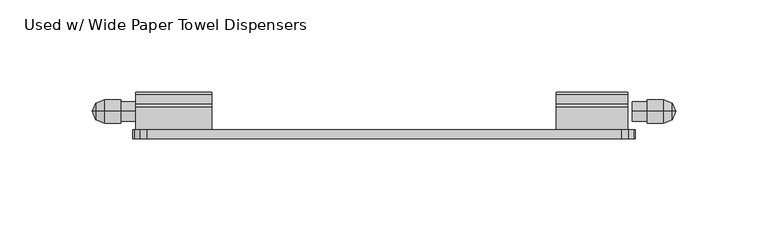
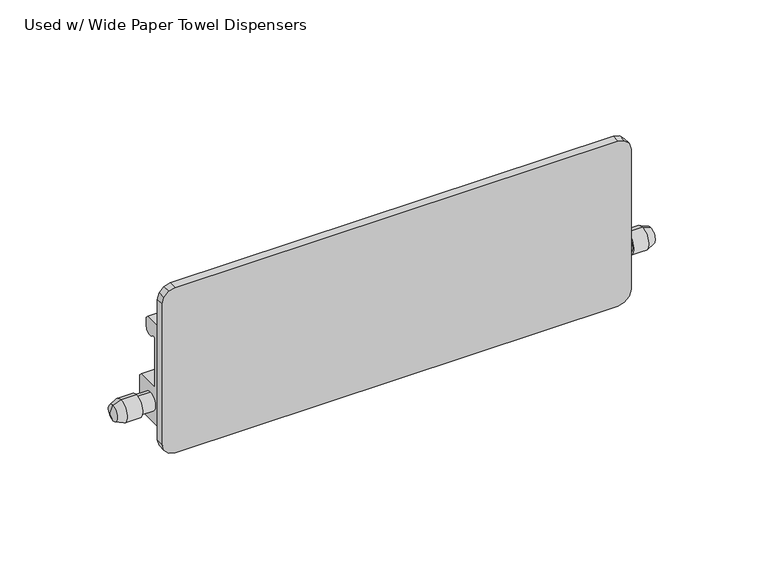
"""IFC4 building model written with IfcOpenShell, lengths in millimetres: furniture geometry, Used w/ Wide Paper Towel Dispensers."""

from ifc_helpers import new_model, si_unit, frame, origin, place, context, project, spatial, polyline, circle_curve, outline, extrude, source, transform, mapped, element, save
from ifc_brep_helpers import plane_surface, cylinder_surface, revolved_surface, advanced_brep


def used_w_wide_paper_towel_dispensers_e6a30bfb(model_context):
    return source(origin(), model_context, "Body", "SolidModel", [
        advanced_brep(
        [(413.0600084, -1179.0028827, 1163.4364176), (413.0600084, -1179.0028827, 1172.5903692), (411.0665981, -1179.0028827, 1168.0133934), (434.6852691, -1179.0028827, 1168.0133934), (434.6852691, -1179.0028827, 1173.3762088), (434.6852691, -1179.0028827, 1162.650578), (426.6230069, -1179.0028827, 1173.3762088), (426.6230069, -1179.0028827, 1162.650578), (426.6230069, -1179.0028827, 1174.4862155), (426.6230069, -1179.0028827, 1161.5405713), (417.8725235, -1179.0028827, 1174.4862155), (417.8725235, -1179.0028827, 1161.5405713)],
        [
            (0, 1, circle_curve(frame((413.0600084, -1179.0028827, 1168.0133934), z_axis=(-1.0, 0.0, 0.0), x_axis=(0.0, 0.0, 1.0)), 4.5769758)),
            (1, 2),
            (2, 0),
            (1, 0, circle_curve(frame((413.0600084, -1179.0028827, 1168.0133934), z_axis=(-1.0, 0.0, 0.0), x_axis=(0.0, 0.0, 1.0)), 4.5769758)),
            (3, 4),
            (4, 5, circle_curve(frame((434.6852691, -1179.0028827, 1168.0133934), z_axis=(1.0, 0.0, 0.0), x_axis=(0.0, 0.0, 1.0)), 5.3628154)),
            (5, 3),
            (5, 4, circle_curve(frame((434.6852691, -1179.0028827, 1168.0133934), z_axis=(1.0, 0.0, 0.0), x_axis=(0.0, 0.0, 1.0)), 5.3628154)),
            (4, 6),
            (6, 7, circle_curve(frame((426.6230069, -1179.0028827, 1168.0133934), z_axis=(1.0, 0.0, 0.0), x_axis=(0.0, 0.0, 1.0)), 5.3628154)),
            (7, 5),
            (7, 6, circle_curve(frame((426.6230069, -1179.0028827, 1168.0133934), z_axis=(1.0, 0.0, 0.0), x_axis=(0.0, 0.0, 1.0)), 5.3628154)),
            (6, 8),
            (8, 9, circle_curve(frame((426.6230069, -1179.0028827, 1168.0133934), z_axis=(1.0, 0.0, 0.0), x_axis=(0.0, 0.0, 1.0)), 6.4728221)),
            (9, 7),
            (9, 8, circle_curve(frame((426.6230069, -1179.0028827, 1168.0133934), z_axis=(1.0, 0.0, 0.0), x_axis=(0.0, 0.0, 1.0)), 6.4728221)),
            (8, 10),
            (10, 11, circle_curve(frame((417.8725235, -1179.0028827, 1168.0133934), z_axis=(1.0, 0.0, 0.0), x_axis=(0.0, 0.0, 1.0)), 6.4728221)),
            (11, 9),
            (11, 10, circle_curve(frame((417.8725235, -1179.0028827, 1168.0133934), z_axis=(1.0, 0.0, 0.0), x_axis=(0.0, 0.0, 1.0)), 6.4728221)),
            (10, 1),
            (0, 11),
        ],
        [
            revolved_surface(polyline([(411.0665981, -1179.0028827, 1168.0133934), (413.0600084, -1179.0028827, 1172.5903692)]), (434.6852691, -1179.0028827, 1168.0133934), (1.0, 0.0, 0.0)),
            plane_surface(frame((434.6852691, -1179.0028827, 1168.0133934), z_axis=(1.0, 0.0, 0.0), x_axis=(0.0, 0.0, 1.0))),
            cylinder_surface(frame((434.6852691, -1179.0028827, 1168.0133934), z_axis=(1.0, 0.0, 0.0), x_axis=(0.0, 0.0, 1.0)), 5.3628154),
            plane_surface(frame((426.6230069, -1179.0028827, 1168.0133934), z_axis=(1.0, 0.0, 0.0), x_axis=(0.0, 0.0, 1.0))),
            cylinder_surface(frame((434.6852691, -1179.0028827, 1168.0133934), z_axis=(1.0, 0.0, 0.0), x_axis=(0.0, 0.0, 1.0)), 6.4728221),
            revolved_surface(polyline([(413.0600084, -1179.0028827, 1172.5903692), (417.8725235, -1179.0028827, 1174.4862155)]), (434.6852691, -1179.0028827, 1168.0133934), (1.0, 0.0, 0.0)),
        ],
        [
            (0, [[1, 2, 3]]),
            (0, [[4, -3, -2]]),
            (1, [[5, 6, 7]]),
            (1, [[-7, 8, -5]]),
            (2, [[-6, 9, 10, 11]]),
            (2, [[-8, -11, 12, -9]]),
            (3, [[-10, 13, 14, 15]]),
            (3, [[-12, -15, 16, -13]]),
            (4, [[-14, 17, 18, 19]]),
            (4, [[-16, -19, 20, -17]]),
            (5, [[-18, 21, -1, 22]]),
            (5, [[-20, -22, -4, -21]]),
        ],
    ),
        advanced_brep(
        [(728.1519667, -1179.0028827, 1168.0133934), (726.1585564, -1179.0028827, 1172.5903692), (726.1585564, -1179.0028827, 1163.4364176), (704.5332957, -1179.0028827, 1162.650578), (704.5332957, -1179.0028827, 1173.3762088), (704.5332957, -1179.0028827, 1168.0133934), (712.5955579, -1179.0028827, 1162.650578), (712.5955579, -1179.0028827, 1173.3762088), (712.5955579, -1179.0028827, 1161.5405713), (712.5955579, -1179.0028827, 1174.4862155), (721.3460413, -1179.0028827, 1161.5405713), (721.3460413, -1179.0028827, 1174.4862155)],
        [
            (0, 1),
            (1, 2, circle_curve(frame((726.1585564, -1179.0028827, 1168.0133934), z_axis=(1.0, 0.0, 0.0), x_axis=(0.0, 0.0, 1.0)), 4.5769758)),
            (2, 0),
            (2, 1, circle_curve(frame((726.1585564, -1179.0028827, 1168.0133934), z_axis=(1.0, 0.0, 0.0), x_axis=(0.0, 0.0, 1.0)), 4.5769758)),
            (3, 4, circle_curve(frame((704.5332957, -1179.0028827, 1168.0133934), z_axis=(-1.0, 0.0, 0.0), x_axis=(0.0, 0.0, 1.0)), 5.3628154)),
            (4, 5),
            (5, 3),
            (4, 3, circle_curve(frame((704.5332957, -1179.0028827, 1168.0133934), z_axis=(-1.0, 0.0, 0.0), x_axis=(0.0, 0.0, 1.0)), 5.3628154)),
            (6, 7, circle_curve(frame((712.5955579, -1179.0028827, 1168.0133934), z_axis=(-1.0, 0.0, 0.0), x_axis=(0.0, 0.0, 1.0)), 5.3628154)),
            (7, 4),
            (3, 6),
            (7, 6, circle_curve(frame((712.5955579, -1179.0028827, 1168.0133934), z_axis=(-1.0, 0.0, 0.0), x_axis=(0.0, 0.0, 1.0)), 5.3628154)),
            (8, 9, circle_curve(frame((712.5955579, -1179.0028827, 1168.0133934), z_axis=(-1.0, 0.0, 0.0), x_axis=(0.0, 0.0, 1.0)), 6.4728221)),
            (9, 7),
            (6, 8),
            (9, 8, circle_curve(frame((712.5955579, -1179.0028827, 1168.0133934), z_axis=(-1.0, 0.0, 0.0), x_axis=(0.0, 0.0, 1.0)), 6.4728221)),
            (10, 11, circle_curve(frame((721.3460413, -1179.0028827, 1168.0133934), z_axis=(-1.0, 0.0, 0.0), x_axis=(0.0, 0.0, 1.0)), 6.4728221)),
            (11, 9),
            (8, 10),
            (11, 10, circle_curve(frame((721.3460413, -1179.0028827, 1168.0133934), z_axis=(-1.0, 0.0, 0.0), x_axis=(0.0, 0.0, 1.0)), 6.4728221)),
            (1, 11),
            (10, 2),
        ],
        [
            revolved_surface(polyline([(726.1585564, -1179.0028827, 1172.5903692), (728.1519667, -1179.0028827, 1168.0133934)]), (704.5332957, -1179.0028827, 1168.0133934), (1.0, 0.0, 0.0)),
            plane_surface(frame((704.5332957, -1179.0028827, 1168.0133934), z_axis=(-1.0, 0.0, 0.0), x_axis=(0.0, 0.0, 1.0))),
            cylinder_surface(frame((704.5332957, -1179.0028827, 1168.0133934), z_axis=(1.0, 0.0, 0.0), x_axis=(0.0, 0.0, 1.0)), 5.3628154),
            plane_surface(frame((712.5955579, -1179.0028827, 1168.0133934), z_axis=(-1.0, 0.0, 0.0), x_axis=(0.0, 0.0, 1.0))),
            cylinder_surface(frame((704.5332957, -1179.0028827, 1168.0133934), z_axis=(1.0, 0.0, 0.0), x_axis=(0.0, 0.0, 1.0)), 6.4728221),
            revolved_surface(polyline([(721.3460413, -1179.0028827, 1174.4862155), (726.1585564, -1179.0028827, 1172.5903692)]), (704.5332957, -1179.0028827, 1168.0133934), (1.0, 0.0, 0.0)),
        ],
        [
            (0, [[1, 2, 3]]),
            (0, [[-3, 4, -1]]),
            (1, [[5, 6, 7]]),
            (1, [[8, -7, -6]]),
            (2, [[9, 10, -5, 11]]),
            (2, [[12, -11, -8, -10]]),
            (3, [[13, 14, -9, 15]]),
            (3, [[16, -15, -12, -14]]),
            (4, [[17, 18, -13, 19]]),
            (4, [[20, -19, -16, -18]]),
            (5, [[-2, 21, -17, 22]]),
            (5, [[-4, -22, -20, -21]]),
        ],
    ),
        extrude(outline(polyline([(-1189.0551179, 1218.5898717), (-1176.6152827, 1218.5898717), (-1175.0404828, 1217.0150717), (-1175.0404828, 1212.265272), (-1175.8231929, 1209.9009144), (-1177.8620988, 1208.4706406), (-1180.3516929, 1208.5395068), (-1182.3084145, 1210.0803062), (-1183.7526827, 1209.6461143), (-1183.7526827, 1179.9117042), (-1183.1573702, 1179.3163917), (-1170.0811329, 1179.3163917), (-1168.506333, 1177.7415923), (-1168.506333, 1158.3156705), (-1170.0811329, 1156.7408711), (-1187.7341331, 1156.7408711), (-1189.0551179, 1158.0618558), (-1189.0551179, 1218.5898717)])), frame((434.6852691, 0.0, 0.0), z_axis=(1.0, 0.0, 0.0), x_axis=(0.0, 1.0, 0.0)), (0.0, 0.0, 1.0), 41.2749879),
        extrude(outline(polyline([(-1189.0551179, 1218.5898717), (-1176.6152827, 1218.5898717), (-1175.0404828, 1217.0150717), (-1175.0404828, 1212.265272), (-1175.8231929, 1209.9009144), (-1177.8620988, 1208.4706406), (-1180.3516929, 1208.5395068), (-1182.3084145, 1210.0803062), (-1183.7526827, 1209.6461143), (-1183.7526827, 1179.9117042), (-1183.1573702, 1179.3163917), (-1170.0811329, 1179.3163917), (-1168.506333, 1177.7415923), (-1168.506333, 1158.3156705), (-1170.0811329, 1156.7408711), (-1187.7341331, 1156.7408711), (-1189.0551179, 1158.0618558), (-1189.0551179, 1218.5898717)])), frame((663.2583078, 0.0, 0.0), z_axis=(1.0, 0.0, 0.0), x_axis=(0.0, 1.0, 0.0)), (0.0, 0.0, 1.0), 38.7349865),
        extrude(outline(polyline([(1150.6199927, 433.0842881), (1146.8099964, 434.1051742), (1144.0208861, 436.8942879), (1143.0, 440.7042876), (1143.0, 698.5142953), (1144.0208861, 702.3242917), (1146.8099964, 705.113402), (1150.6199927, 706.1342881), (1236.9799982, 706.1342881), (1240.7899991, 705.113402), (1243.5791116, 702.3242917), (1244.6, 698.5142953), (1244.6, 440.7042876), (1243.5791116, 436.8942879), (1240.7899991, 434.1051742), (1236.9799982, 433.0842881), (1150.6199927, 433.0842881)])), frame((0.0, -1193.9065182, 0.0), z_axis=(0.0, 1.0, 0.0), x_axis=(0.0, 0.0, 1.0)), (0.0, 0.0, 1.0), 4.8514004),
    ])


if __name__ == "__main__":
    model = new_model("IFC4")
    model_context = context("Model", 3, world=origin())
    ifc_project = project(units=[si_unit("LENGTHUNIT", "METRE", prefix="MILLI")], contexts=[model_context])
    site = spatial("IfcSite", under=ifc_project)
    building = spatial("IfcBuilding", under=site)
    placement = place(None, origin())
    used_w_wide_paper_towel_dispensers_shape = used_w_wide_paper_towel_dispensers_e6a30bfb(model_context)
    element("IfcFurniture", 1, ObjectType="Used w/ Wide Paper Towel Dispensers", at=placement, inside=building, context=model_context, shape_type="MappedRepresentation", body=[
        mapped(used_w_wide_paper_towel_dispensers_shape, transform((0.0, 0.0, 0.0), x_axis=(1.0, 0.0, 0.0), y_axis=(0.0, 1.0, 0.0), z_axis=(0.0, 0.0, 1.0))),
    ])
    save(model, "model.ifc")
